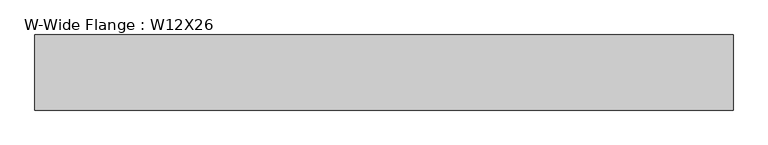
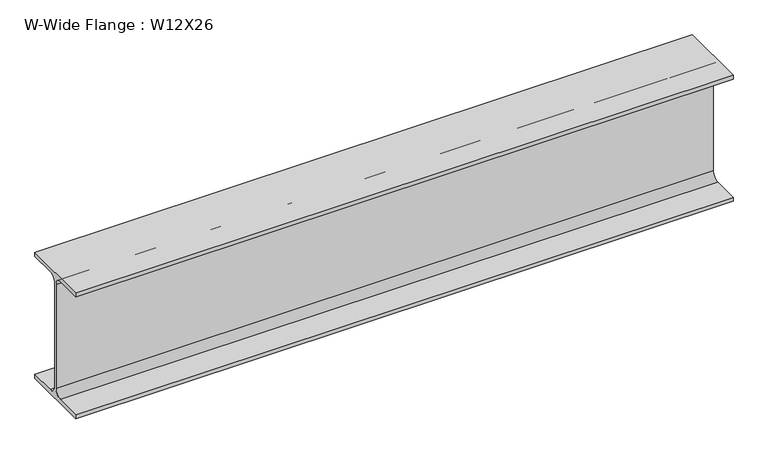
"""IFC4 building model written with IfcOpenShell, lengths in millimetres: beam geometry, W-Wide Flange : W12X26."""

import ifcopenshell
import ifcopenshell.guid

model = None  # the IFC model being written
_history = None  # IfcOwnerHistory: only IFC2X3 demands one
_inside = {}  # id of a spatial element -> (the spatial element, [elements in it])
_under = {}  # id of a project, library or spatial element -> (it, [spatial elements below it])
_declared = {}  # id of a project -> (the project, [libraries it declares])
_typed = {}  # id of a type object -> (the type object, [elements of that type])
_made_of = {}  # id of a material, layer set ... -> (it, [elements and type objects made of it])


def new_model(schema):
    """Start an empty IFC model of exactly this schema.

    Asked for "IFC4X3", IfcOpenShell would pick the latest addendum, in which some entities
    have other attributes; the version numbers below select the first issue.
    IFC2X3 requires an IfcOwnerHistory on every rooted entity: one is made here for all.
    """
    global model, _history
    if schema == "IFC4X3":
        model = ifcopenshell.file(schema_version=(4, 3, 0, 0))
    else:
        model = ifcopenshell.file(schema=schema)
    _inside.clear()
    _under.clear()
    _declared.clear()
    _typed.clear()
    _made_of.clear()
    _history = None
    if model.schema == "IFC2X3":
        org = make("IfcOrganization", Name="unknown")
        user = make(
            "IfcPersonAndOrganization",
            ThePerson=make("IfcPerson", FamilyName="unknown"),
            TheOrganization=org,
        )
        app = make(
            "IfcApplication",
            ApplicationDeveloper=org,
            Version="unknown",
            ApplicationFullName="unknown",
            ApplicationIdentifier="unknown",
        )
        _history = make(
            "IfcOwnerHistory",
            OwningUser=user,
            OwningApplication=app,
            ChangeAction="ADDED",
            CreationDate=0,
        )
    return model


def make(cls, **values):
    """One entity of the class cls with the attributes given. An attribute that is None is left unset."""
    return model.create_entity(
        cls, **{name: value for name, value in values.items() if value is not None}
    )


def rooted(cls, **values):
    """An entity with a GlobalId (a new one), such as an element, a storey or a relation."""
    return make(cls, GlobalId=ifcopenshell.guid.new(), OwnerHistory=_history, **values)


def si_unit(unit_type, name, prefix=None):
    """IfcSIUnit, for example si_unit("LENGTHUNIT", "METRE", prefix="MILLI")."""
    return make("IfcSIUnit", UnitType=unit_type, Prefix=prefix, Name=name)


def assignment(units):
    """IfcUnitAssignment: the units of a project."""
    return None if units is None else make("IfcUnitAssignment", Units=units)


def point(xyz):
    """IfcCartesianPoint."""
    return None if xyz is None else make("IfcCartesianPoint", Coordinates=xyz)


def direction(xyz):
    """IfcDirection."""
    return None if xyz is None else make("IfcDirection", DirectionRatios=xyz)


def frame(location, z_axis=None, x_axis=None):
    """IfcAxis2Placement3D, a coordinate frame: its origin and axes. An axis left out is left unset."""
    return make(
        "IfcAxis2Placement3D",
        Location=point(location),
        Axis=direction(z_axis),
        RefDirection=direction(x_axis),
    )


def frame_2d(location, x_axis=None):
    """IfcAxis2Placement2D, a coordinate frame in the plane: its origin and x axis."""
    return make(
        "IfcAxis2Placement2D", Location=point(location), RefDirection=direction(x_axis)
    )


def origin():
    """The frame at (0, 0, 0) with its axes left unset."""
    return frame((0.0, 0.0, 0.0))


def place(relative_to, where):
    """IfcLocalPlacement: puts the frame where relative to a parent placement (None: the world)."""
    return make(
        "IfcLocalPlacement", PlacementRelTo=relative_to, RelativePlacement=where
    )


def context(
    kind, dimensions, precision=None, world=None, true_north=None, identifier=None
):
    """IfcGeometricRepresentationContext, for example the 3D "Model" context."""
    return make(
        "IfcGeometricRepresentationContext",
        ContextIdentifier=identifier,
        ContextType=kind,
        CoordinateSpaceDimension=dimensions,
        Precision=precision,
        WorldCoordinateSystem=world,
        TrueNorth=true_north,
    )


def project(units=None, contexts=None):
    """IfcProject with its units and contexts."""
    return rooted(
        "IfcProject",
        Name="project",
        RepresentationContexts=contexts,
        UnitsInContext=assignment(units),
    )


def spatial(cls, under=None, at=None, **own):
    """A site, building, storey or space (cls), placed at a placement, below another one or the project."""
    s = rooted(cls, ObjectPlacement=at, **own)
    if under is not None:
        _under.setdefault(under.id(), (under, []))[1].append(s)
    return s


def polyline(points):
    """IfcPolyline through the points."""
    return make("IfcPolyline", Points=[point(p) for p in points])


def circle_curve(where, radius):
    """IfcCircle in the frame where."""
    return make("IfcCircle", Position=where, Radius=radius)


def trimmed(basis, trim1, trim2, sense, master):
    """IfcTrimmedCurve: the piece of a basis curve between two trims."""
    return make(
        "IfcTrimmedCurve",
        BasisCurve=basis,
        Trim1=trim1,
        Trim2=trim2,
        SenseAgreement=sense,
        MasterRepresentation=master,
    )


def segment(curve, same_sense, transition):
    """IfcCompositeCurveSegment."""
    return make(
        "IfcCompositeCurveSegment",
        Transition=transition,
        SameSense=same_sense,
        ParentCurve=curve,
    )


def composite_curve(segments, self_intersect=None):
    """IfcCompositeCurve: segments joined end to end."""
    return make("IfcCompositeCurve", Segments=segments, SelfIntersect=self_intersect)


def outline(outer, holes=None, kind="AREA"):
    """IfcArbitraryClosedProfileDef: a profile drawn as a closed curve; with holes, ...WithVoids."""
    if holes is None:
        return make("IfcArbitraryClosedProfileDef", ProfileType=kind, OuterCurve=outer)
    return make(
        "IfcArbitraryProfileDefWithVoids",
        ProfileType=kind,
        OuterCurve=outer,
        InnerCurves=holes,
    )


def extrude(swept, where, along, depth):
    """IfcExtrudedAreaSolid: the profile swept, set in the frame where, extruded along a direction by depth."""
    return make(
        "IfcExtrudedAreaSolid",
        SweptArea=swept,
        Position=where,
        ExtrudedDirection=direction(along),
        Depth=depth,
    )


def shape(context_of_items, identifier, shape_type, items):
    """IfcShapeRepresentation: the items that make up one representation, for example the "Body"."""
    return make(
        "IfcShapeRepresentation",
        ContextOfItems=context_of_items,
        RepresentationIdentifier=identifier,
        RepresentationType=shape_type,
        Items=items,
    )


def source(mapping_origin, context_of_items, identifier, shape_type, items):
    """IfcRepresentationMap: a shape defined once, which mapped items show again and again."""
    return make(
        "IfcRepresentationMap",
        MappingOrigin=mapping_origin,
        MappedRepresentation=shape(context_of_items, identifier, shape_type, items),
    )


def transform(
    local_origin,
    x_axis=None,
    y_axis=None,
    z_axis=None,
    scale=None,
    scale2=None,
    scale3=None,
    uniform=True,
):
    """IfcCartesianTransformationOperator3D, or its non-uniform kind. x_axis, y_axis, z_axis: its Axis1, 2, 3."""
    if uniform:
        return make(
            "IfcCartesianTransformationOperator3D",
            Axis1=direction(x_axis),
            Axis2=direction(y_axis),
            LocalOrigin=point(local_origin),
            Scale=scale,
            Axis3=direction(z_axis),
        )
    return make(
        "IfcCartesianTransformationOperator3DnonUniform",
        Axis1=direction(x_axis),
        Axis2=direction(y_axis),
        LocalOrigin=point(local_origin),
        Scale=scale,
        Axis3=direction(z_axis),
        Scale2=scale2,
        Scale3=scale3,
    )


def mapped(mapping_source, mapping_target):
    """IfcMappedItem: shows the shape of a source again, moved by a transform."""
    return make(
        "IfcMappedItem", MappingSource=mapping_source, MappingTarget=mapping_target
    )


def made_of(thing, what):
    """Note that an element or type object is made of a material, layer set ...; save() writes the relation."""
    if what is not None:
        _made_of.setdefault(what.id(), (what, []))[1].append(thing)
    return thing


def element(
    cls,
    number,
    at=None,
    inside=None,
    cuts=None,
    type_object=None,
    material=None,
    context=None,
    identifier="Body",
    shape_type=None,
    held_by="IfcProductDefinitionShape",
    body=None,
    shapes=None,
    **own,
):
    """One element of the class cls, such as IfcWall. Its Tag is "e" and its number.

    at: its placement. inside: the storey or other place that contains it. cuts: it is an
    opening in that element (IfcRelVoidsElement). A single representation is given by context,
    identifier, shape_type and body (its items); several are given by shapes. held_by: the class
    of the entity that holds the representations. save() writes the other relations.
    """
    e = rooted(cls, Tag="e%d" % number, ObjectPlacement=at, **own)
    if body is not None:
        shapes = [shape(context, identifier, shape_type, body)]
    if shapes is not None:
        e.Representation = make(held_by, Representations=shapes)
    if inside is not None:
        _inside.setdefault(inside.id(), (inside, []))[1].append(e)
    if cuts is not None:
        rooted(
            "IfcRelVoidsElement", RelatingBuildingElement=cuts, RelatedOpeningElement=e
        )
    if type_object is not None:
        _typed.setdefault(type_object.id(), (type_object, []))[1].append(e)
    return made_of(e, material)


def aggregate(whole, parts):
    """IfcRelAggregates: a whole, such as a stair, and the parts it consists of."""
    return rooted("IfcRelAggregates", RelatingObject=whole, RelatedObjects=parts)


def save(model, path):
    """Write the relations noted so far, then the file.

    IfcRelAggregates (storeys below a building ...), IfcRelContainedInSpatialStructure (elements
    in a storey), IfcRelDefinesByType, IfcRelAssociatesMaterial and IfcRelDeclares: one each for
    every whole, place, type object, material and project.
    """
    for whole, parts in _under.values():
        aggregate(whole, parts)
    for where, things in _inside.values():
        rooted(
            "IfcRelContainedInSpatialStructure",
            RelatedElements=things,
            RelatingStructure=where,
        )
    for kind, things in _typed.values():
        rooted("IfcRelDefinesByType", RelatedObjects=things, RelatingType=kind)
    for what, things in _made_of.values():
        rooted("IfcRelAssociatesMaterial", RelatedObjects=things, RelatingMaterial=what)
    for by, libraries in _declared.values():
        rooted("IfcRelDeclares", RelatingContext=by, RelatedDefinitions=libraries)
    model.write(path)


def w_wide_flange_w12x26_508de4a8(model_context):
    return source(origin(), model_context, "Body", "SweptSolid", [
        extrude(outline(composite_curve([segment(polyline([(82.4011719, -145.5539063), (82.4011719, -155.178125), (-82.4011719, -155.178125), (-82.4011719, -145.5539063), (-20.2902344, -145.5539063)]), True, "CONTINUOUS"), segment(trimmed(circle_curve(frame_2d((-20.2902344, -128.190625)), 17.3632812), [point((-20.2902344, -145.5539063))], [point((-2.9269531, -128.190625))], True, "CARTESIAN"), True, "CONTINUOUS"), segment(polyline([(-2.9269531, -128.190625), (-2.9269531, 128.190625)]), True, "CONTINUOUS"), segment(trimmed(circle_curve(frame_2d((-20.2902344, 128.190625)), 17.3632812), [point((-2.9269531, 128.190625))], [point((-20.2902344, 145.5539062))], True, "CARTESIAN"), True, "CONTINUOUS"), segment(polyline([(-20.2902344, 145.5539062), (-82.4011719, 145.5539062), (-82.4011719, 155.178125), (82.4011719, 155.178125), (82.4011719, 145.5539062), (20.2902344, 145.5539062)]), True, "CONTINUOUS"), segment(trimmed(circle_curve(frame_2d((20.2902344, 128.190625)), 17.3632812), [point((20.2902344, 145.5539062))], [point((2.9269531, 128.190625))], True, "CARTESIAN"), True, "CONTINUOUS"), segment(polyline([(2.9269531, 128.190625), (2.9269531, -128.190625)]), True, "CONTINUOUS"), segment(trimmed(circle_curve(frame_2d((20.2902344, -128.190625)), 17.3632812), [point((2.9269531, -128.190625))], [point((20.2902344, -145.5539063))], True, "CARTESIAN"), True, "CONTINUOUS"), segment(polyline([(20.2902344, -145.5539063), (82.4011719, -145.5539063)]), True, "CONTINUOUS")], self_intersect=False)), frame((-735.8640831, 0.0, 0.0), z_axis=(1.0, 0.0, 0.0), x_axis=(0.0, 1.0, 0.0)), (0.0, 0.0, 1.0), 1531.848189),
    ])


if __name__ == "__main__":
    model = new_model("IFC4")
    model_context = context("Model", 3, world=origin())
    ifc_project = project(units=[si_unit("LENGTHUNIT", "METRE", prefix="MILLI")], contexts=[model_context])
    site = spatial("IfcSite", under=ifc_project)
    building = spatial("IfcBuilding", under=site)
    placement = place(None, origin())
    w_wide_flange_w12x26_shape = w_wide_flange_w12x26_508de4a8(model_context)
    element("IfcBeam", 1, ObjectType="W-Wide Flange : W12X26", at=placement, inside=building, context=model_context, shape_type="MappedRepresentation", body=[
        mapped(w_wide_flange_w12x26_shape, transform((0.0, 0.0, 0.0), x_axis=(1.0, 0.0, 0.0), y_axis=(0.0, 1.0, 0.0), z_axis=(0.0, 0.0, 1.0))),
    ])
    save(model, "model.ifc")
